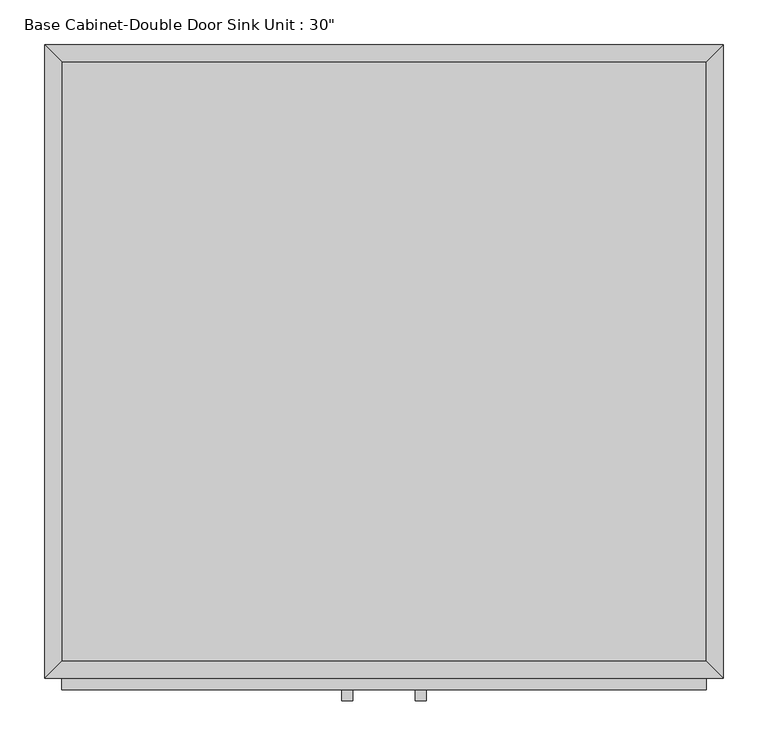
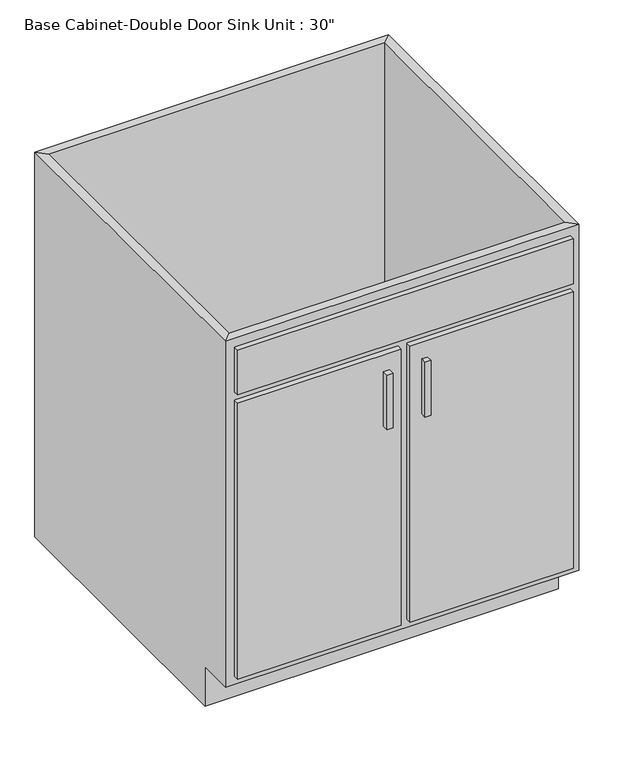
"""IFC4 building model written with IfcOpenShell, lengths in millimetres: furniture geometry."""

from ifc_helpers import new_model, si_unit, frame, origin, place, context, project, spatial, polyline, outline, extrude, faceted_brep, source, transform, mapped, element, save


def furniture_89a24a9e(model_context):
    return source(origin(), model_context, "Body", "SolidModel", [
        faceted_brep([(380.6877049, -692.15, 876.3), (380.6877049, -692.15, 88.9), (-343.2122951, -692.15, 88.9), (-343.2122951, -692.15, 876.3), (-362.2622951, -711.2, 876.3), (399.7377049, -711.2, 876.3), (-362.2622951, -711.2, 88.9), (399.7377049, -711.2, 88.9), (-343.2122951, -635.0, 88.9), (-343.2122951, -19.05, 88.9), (-343.2122951, -19.05, 876.3), (-362.2622951, 0.0, 876.3), (-362.2622951, 0.0, 0.0), (-362.2622951, -635.0, 0.0), (-362.2622951, -635.0, 88.9), (380.6877049, -19.05, 88.9), (380.6877049, -19.05, 876.3), (399.7377049, 0.0, 876.3), (399.7377049, 0.0, 0.0), (380.6877049, -635.0, 88.9), (399.7377049, -635.0, 88.9), (399.7377049, -635.0, 0.0)], [[[0, 1, 2, 3]], [[0, 3, 4, 5]], [[5, 4, 6, 7]], [[2, 1, 7, 6]], [[3, 2, 8, 9, 10]], [[4, 3, 10, 11]], [[6, 4, 11, 12, 13, 14]], [[2, 6, 14, 8]], [[10, 9, 15, 16]], [[11, 10, 16, 17]], [[12, 11, 17, 18]], [[1, 0, 16, 15, 19]], [[0, 5, 17, 16]], [[5, 7, 20, 21, 18, 17]], [[7, 1, 19, 20]], [[8, 19, 15, 9]], [[18, 21, 13, 12]], [[13, 21, 20, 19, 8, 14]]]),
        extrude(outline(polyline([(-16.1872951, -736.6), (-28.8872951, -736.6), (-28.8872951, -723.9), (-16.1872951, -723.9), (-16.1872951, -736.6)])), frame((0.0, 0.0, 573.769895), z_axis=(0.0, 0.0, 1.0), x_axis=(1.0, 0.0, 0.0)), (0.0, 0.0, 1.0), 124.730105),
        extrude(outline(polyline([(66.3627049, -736.6), (53.6627049, -736.6), (53.6627049, -723.9), (66.3627049, -723.9), (66.3627049, -736.6)])), frame((0.0, 0.0, 573.769895), z_axis=(0.0, 0.0, 1.0), x_axis=(1.0, 0.0, 0.0)), (0.0, 0.0, 1.0), 124.730105),
        extrude(outline(polyline([(380.6877049, -19.05), (380.6877049, -692.15), (-343.2122951, -692.15), (-343.2122951, -19.05), (380.6877049, -19.05)])), frame((0.0, 0.0, 88.9), z_axis=(0.0, 0.0, 1.0), x_axis=(1.0, 0.0, 0.0)), (0.0, 0.0, 1.0), 19.05),
        extrude(outline(polyline([(9.2127049, -723.9), (-343.2122951, -723.9), (-343.2122951, -711.2), (9.2127049, -711.2), (9.2127049, -723.9)])), frame((0.0, 0.0, 107.95), z_axis=(0.0, 0.0, 1.0), x_axis=(1.0, 0.0, 0.0)), (0.0, 0.0, 1.0), 628.65),
        extrude(outline(polyline([(380.6877049, -723.9), (28.2627049, -723.9), (28.2627049, -711.2), (380.6877049, -711.2), (380.6877049, -723.9)])), frame((0.0, 0.0, 107.95), z_axis=(0.0, 0.0, 1.0), x_axis=(1.0, 0.0, 0.0)), (0.0, 0.0, 1.0), 628.65),
        extrude(outline(polyline([(380.6877049, -723.9), (-343.2122951, -723.9), (-343.2122951, -711.2), (380.6877049, -711.2), (380.6877049, -723.9)])), frame((0.0, 0.0, 755.65), z_axis=(0.0, 0.0, 1.0), x_axis=(1.0, 0.0, 0.0)), (0.0, 0.0, 1.0), 101.6),
    ])


if __name__ == "__main__":
    model = new_model("IFC4")
    model_context = context("Model", 3, world=origin())
    ifc_project = project(units=[si_unit("LENGTHUNIT", "METRE", prefix="MILLI")], contexts=[model_context])
    site = spatial("IfcSite", under=ifc_project)
    building = spatial("IfcBuilding", under=site)
    placement = place(None, origin())
    furniture_shape = furniture_89a24a9e(model_context)
    element("IfcFurniture", 1, ObjectType="Base Cabinet-Double Door Sink Unit : 30\"", at=placement, inside=building, context=model_context, shape_type="MappedRepresentation", body=[
        mapped(furniture_shape, transform((0.0, 0.0, 0.0), x_axis=(1.0, 0.0, 0.0), y_axis=(0.0, 1.0, 0.0), z_axis=(0.0, 0.0, 1.0))),
    ])
    save(model, "model.ifc")
